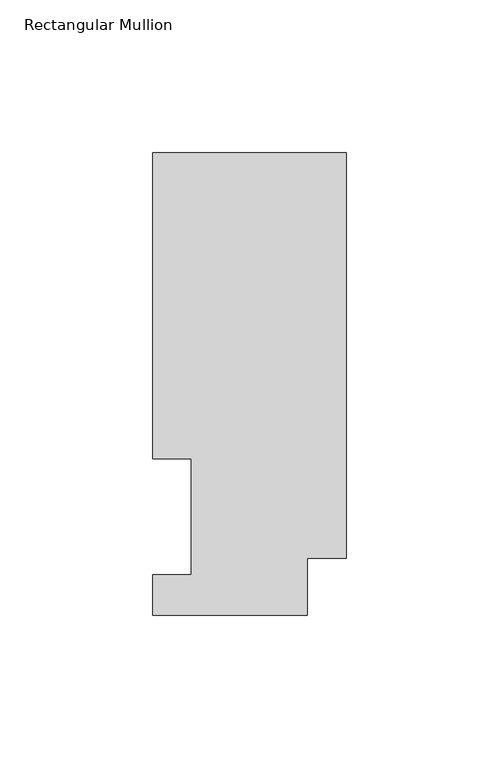
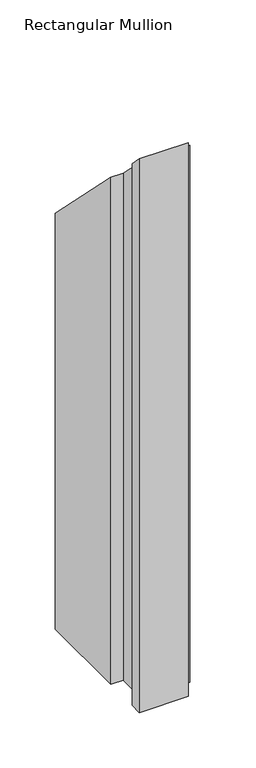
"""IFC4 building model written with IfcOpenShell, lengths in millimetres: member geometry, Rectangular Mullion."""

from ifc_helpers import new_model, si_unit, origin, place, context, project, spatial, faceted_brep, source, transform, mapped, element, save


def rectangular_mullion_4cd44e03(model_context):
    return source(origin(), model_context, "Body", "Brep", [
        faceted_brep([(0.0, 151.7022937, -610.3647682), (0.0, 18.7332937, -610.3647682), (-12.7, 18.7332937, -610.3647682), (-12.7, 0.0134937, -610.3647682), (-63.5, 0.0134937, -610.3647682), (-63.5, 13.1960938, -610.3647682), (-50.8, 13.1960938, -610.3647682), (-50.8, 51.2960938, -610.3647682), (-63.5, 51.2960938, -610.3647682), (-63.5, 151.7022937, -610.3647682), (-63.5, 151.7022937, -151.7022937), (0.0, 151.7022937, -151.7022937), (-63.5, 51.2960938, -51.2960938), (-50.8, 51.2960938, -51.2960937), (-50.8, 13.1960938, -13.1960938), (-63.5, 13.1960938, -13.1960938), (-63.5, 0.0134937, -0.0134937), (-12.7, 0.0134937, -0.0134937), (-12.7, 18.7332937, -18.7332937), (0.0, 18.7332937, -18.7332937)], [[[0, 1, 2, 3, 4, 5, 6, 7, 8, 9]], [[10, 11, 0, 9]], [[12, 10, 9, 8]], [[13, 12, 8, 7]], [[14, 13, 7, 6]], [[15, 14, 6, 5]], [[16, 15, 5, 4]], [[17, 16, 4, 3]], [[18, 17, 3, 2]], [[19, 18, 2, 1]], [[11, 19, 1, 0]], [[11, 10, 12, 13, 14, 15, 16, 17, 18, 19]]]),
    ])


if __name__ == "__main__":
    model = new_model("IFC4")
    model_context = context("Model", 3, world=origin())
    ifc_project = project(units=[si_unit("LENGTHUNIT", "METRE", prefix="MILLI")], contexts=[model_context])
    site = spatial("IfcSite", under=ifc_project)
    building = spatial("IfcBuilding", under=site)
    placement = place(None, origin())
    rectangular_mullion_shape = rectangular_mullion_4cd44e03(model_context)
    element("IfcMember", 1, ObjectType="Rectangular Mullion", at=placement, inside=building, context=model_context, shape_type="MappedRepresentation", body=[
        mapped(rectangular_mullion_shape, transform((0.0, 0.0, 0.0), x_axis=(1.0, 0.0, 0.0), y_axis=(0.0, 1.0, 0.0), z_axis=(0.0, 0.0, 1.0))),
    ])
    save(model, "model.ifc")
